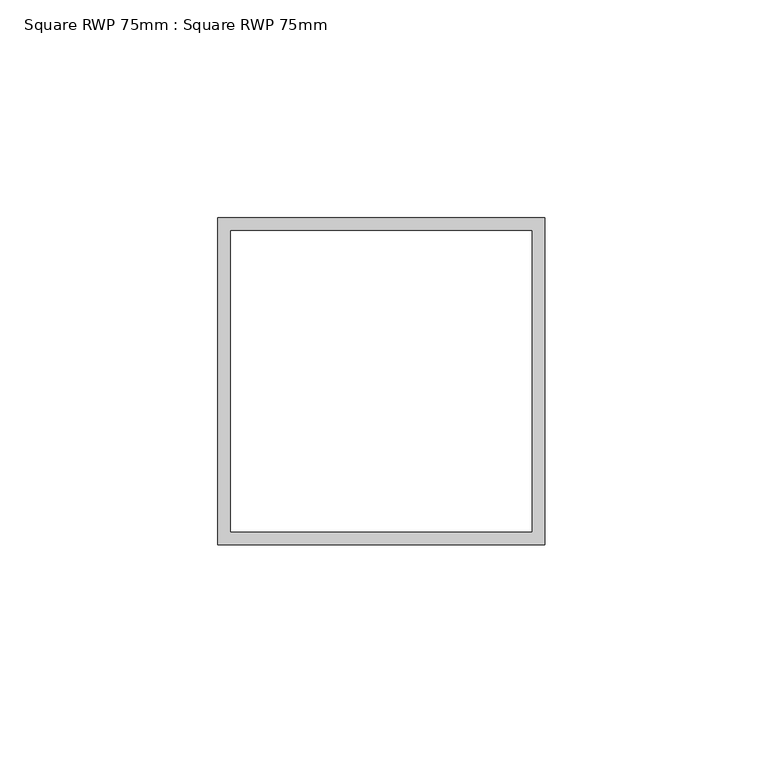
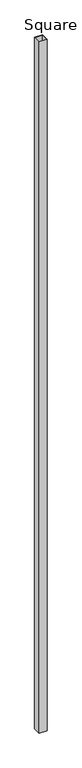
"""IFC4 building model written with IfcOpenShell, lengths in millimetres: geographic element geometry, Square RWP 75mm : Square RWP 75mm."""

from ifc_helpers import new_model, si_unit, frame, origin, place, context, project, spatial, polyline, outline, extrude, source, transform, mapped, element, save


def square_rwp_75mm_square_rwp_75mm_0416b524(model_context):
    return source(origin(), model_context, "Body", "SweptSolid", [
        extrude(outline(polyline([(632508.8039109, 62116.9148027), (632583.8039109, 62116.9148027), (632583.8039109, 62041.9148027), (632508.8039109, 62041.9148027), (632508.8039109, 62116.9148027)]), holes=[polyline([(632511.8039109, 62113.9148027), (632511.8039109, 62044.9148027), (632580.8039109, 62044.9148027), (632580.8039109, 62113.9148027), (632511.8039109, 62113.9148027)])]), frame((0.0, 0.0, -450.0), z_axis=(0.0, 0.0, 1.0), x_axis=(1.0, 0.0, 0.0)), (0.0, 0.0, 1.0), 7051.6378726),
    ])


if __name__ == "__main__":
    model = new_model("IFC4")
    model_context = context("Model", 3, world=origin())
    ifc_project = project(units=[si_unit("LENGTHUNIT", "METRE", prefix="MILLI")], contexts=[model_context])
    site = spatial("IfcSite", under=ifc_project)
    building = spatial("IfcBuilding", under=site)
    placement = place(None, origin())
    square_rwp_75mm_square_rwp_75mm_shape = square_rwp_75mm_square_rwp_75mm_0416b524(model_context)
    element("IfcGeographicElement", 1, ObjectType="Square RWP 75mm : Square RWP 75mm", at=placement, inside=building, context=model_context, shape_type="MappedRepresentation", body=[
        mapped(square_rwp_75mm_square_rwp_75mm_shape, transform((0.0, 0.0, 0.0), x_axis=(1.0, 0.0, 0.0), y_axis=(0.0, 1.0, 0.0), z_axis=(0.0, 0.0, 1.0))),
    ])
    save(model, "model.ifc")
